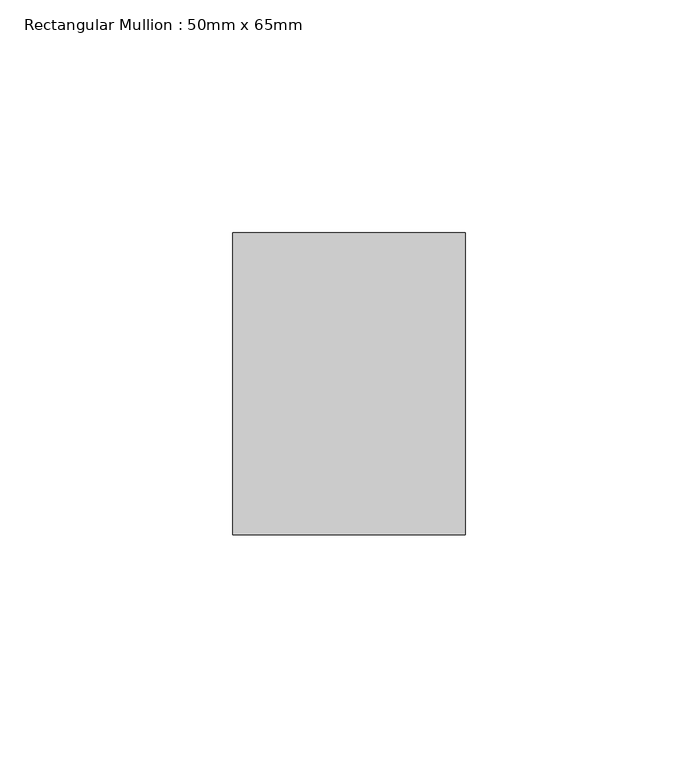
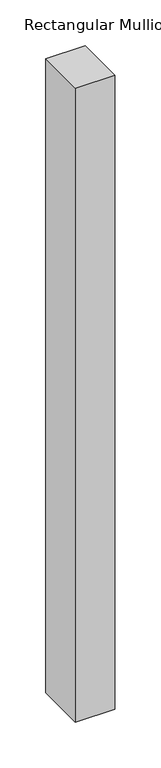
"""IFC4 building model written with IfcOpenShell, lengths in millimetres: member geometry, Rectangular Mullion : 50mm x 65mm."""

from ifc_helpers import new_model, si_unit, frame, origin, place, context, project, spatial, polyline, outline, extrude, source, transform, mapped, element, save


def rectangular_mullion_50mm_x_65mm_1171a2b1(model_context):
    return source(origin(), model_context, "Body", "SweptSolid", [
        extrude(outline(polyline([(25.0, 32.5), (25.0, -32.5), (-25.0, -32.5), (-25.0, 32.5), (25.0, 32.5)])), frame((0.0, 0.0, -846.7248468), z_axis=(0.0, 0.0, 1.0), x_axis=(1.0, 0.0, 0.0)), (0.0, 0.0, 1.0), 846.7248468),
    ])


if __name__ == "__main__":
    model = new_model("IFC4")
    model_context = context("Model", 3, world=origin())
    ifc_project = project(units=[si_unit("LENGTHUNIT", "METRE", prefix="MILLI")], contexts=[model_context])
    site = spatial("IfcSite", under=ifc_project)
    building = spatial("IfcBuilding", under=site)
    placement = place(None, origin())
    rectangular_mullion_50mm_x_65mm_shape = rectangular_mullion_50mm_x_65mm_1171a2b1(model_context)
    element("IfcMember", 1, ObjectType="Rectangular Mullion : 50mm x 65mm", at=placement, inside=building, context=model_context, shape_type="MappedRepresentation", body=[
        mapped(rectangular_mullion_50mm_x_65mm_shape, transform((0.0, 0.0, 0.0), x_axis=(1.0, 0.0, 0.0), y_axis=(0.0, 1.0, 0.0), z_axis=(0.0, 0.0, 1.0))),
    ])
    save(model, "model.ifc")
